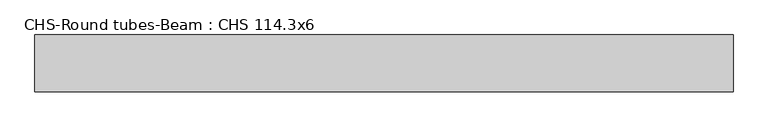
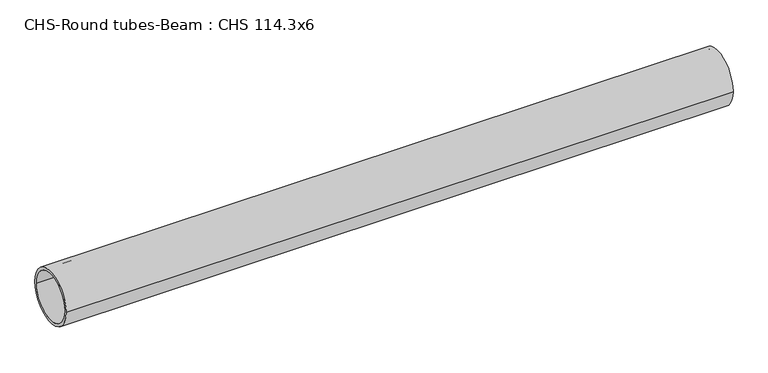
"""IFC4 building model written with IfcOpenShell, lengths in millimetres: beam geometry, CHS-Round tubes-Beam : CHS 114.3x6."""

from ifc_helpers import new_model, si_unit, point, frame, origin, origin_2d, place, context, project, spatial, circle_curve, trimmed, segment, composite_curve, outline, extrude, source, transform, mapped, element, save


def chs_round_tubes_beam_chs_114_3x6_a1fb8eac(model_context):
    return source(origin(), model_context, "Body", "SweptSolid", [
        extrude(outline(composite_curve([segment(trimmed(circle_curve(origin_2d(), 57.15), [point((57.15, 0.0))], [point((-57.15, 0.0))], False, "CARTESIAN"), True, "CONTINUOUS"), segment(trimmed(circle_curve(origin_2d(), 57.15), [point((-57.15, 0.0))], [point((57.15, 0.0))], False, "CARTESIAN"), True, "CONTINUOUS")], self_intersect=False), holes=[composite_curve([segment(trimmed(circle_curve(origin_2d(), 51.15), [point((51.15, 0.0))], [point((-51.15, 0.0))], True, "CARTESIAN"), True, "CONTINUOUS"), segment(trimmed(circle_curve(origin_2d(), 51.15), [point((-51.15, 0.0))], [point((51.15, 0.0))], True, "CARTESIAN"), True, "CONTINUOUS")], self_intersect=False)]), frame((-702.4622102, 0.0, 0.0), z_axis=(1.0, 0.0, 0.0), x_axis=(0.0, 1.0, 0.0)), (0.0, 0.0, 1.0), 1407.3365608),
    ])


if __name__ == "__main__":
    model = new_model("IFC4")
    model_context = context("Model", 3, world=origin())
    ifc_project = project(units=[si_unit("LENGTHUNIT", "METRE", prefix="MILLI")], contexts=[model_context])
    site = spatial("IfcSite", under=ifc_project)
    building = spatial("IfcBuilding", under=site)
    placement = place(None, origin())
    chs_round_tubes_beam_chs_114_3x6_shape = chs_round_tubes_beam_chs_114_3x6_a1fb8eac(model_context)
    element("IfcBeam", 1, ObjectType="CHS-Round tubes-Beam : CHS 114.3x6", at=placement, inside=building, context=model_context, shape_type="MappedRepresentation", body=[
        mapped(chs_round_tubes_beam_chs_114_3x6_shape, transform((0.0, 0.0, 0.0), x_axis=(1.0, 0.0, 0.0), y_axis=(0.0, 1.0, 0.0), z_axis=(0.0, 0.0, 1.0))),
    ])
    save(model, "model.ifc")
